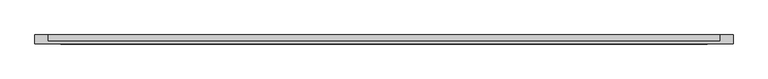
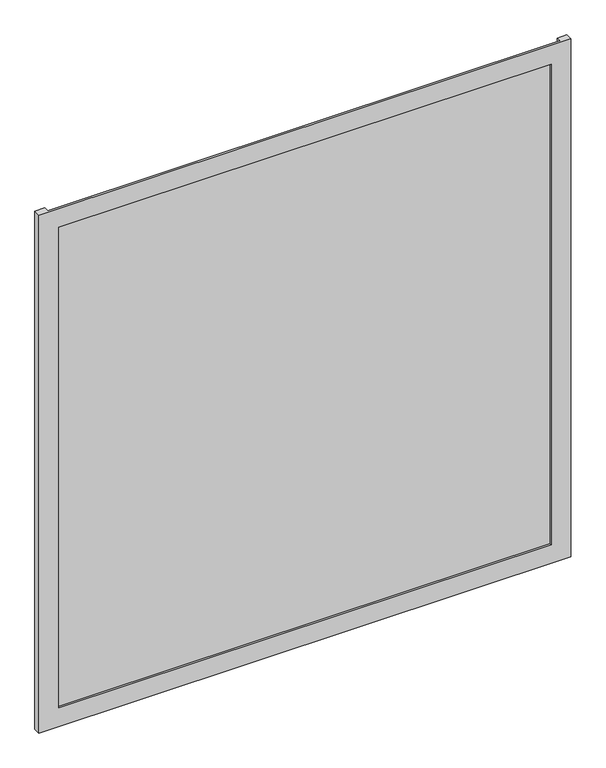
"""IFC4 building model written with IfcOpenShell, lengths in millimetres: plate geometry."""

from ifc_helpers import new_model, si_unit, origin, origin_with_axes, place, context, project, spatial, polyline, outline, extrude, faceted_brep, source, transform, mapped, element, save


def plate_7bfca507(model_context):
    return source(origin(), model_context, "Body", "SolidModel", [
        faceted_brep([(675.0, -50.8, -50.0), (675.0, -68.2, -50.0), (-675.0, -68.2, -50.0), (-675.0, -50.8, -50.0), (-650.0, -50.8, -50.0), (-650.0, -63.2, -50.0), (650.0, -63.2, -50.0), (650.0, -50.8, -50.0), (625.0, -68.2, 0.0), (625.0, -63.2, 0.0), (-625.0, -63.2, 0.0), (-625.0, -68.2, 0.0), (675.0, -68.2, 1340.0), (-675.0, -68.2, 1340.0), (-625.0, -68.2, 1290.0), (625.0, -68.2, 1290.0), (-650.0, -63.2, 1340.0), (650.0, -63.2, 1340.0), (625.0, -63.2, 1290.0), (-625.0, -63.2, 1290.0), (675.0, -50.8, 1340.0), (650.0, -50.8, 1340.0), (-650.0, -50.8, 1340.0), (-675.0, -50.8, 1340.0)], [[[0, 1, 2, 3, 4, 5, 6, 7]], [[8, 9, 10, 11]], [[12, 13, 2, 1], [11, 14, 15, 8]], [[16, 17, 6, 5], [9, 18, 19, 10]], [[20, 21, 17, 16, 22, 23, 13, 12]], [[20, 0, 7, 21]], [[21, 7, 6, 17]], [[8, 15, 18, 9]], [[12, 1, 0, 20]], [[22, 4, 3, 23]], [[16, 5, 4, 22]], [[10, 19, 14, 11]], [[23, 3, 2, 13]], [[18, 15, 14, 19]]]),
        extrude(outline(polyline([(650.0, -50.8), (650.0, -63.2), (-650.0, -63.2), (-650.0, -50.8), (650.0, -50.8)])), origin_with_axes(), (0.0, 0.0, 1.0), 1290.0),
    ])


if __name__ == "__main__":
    model = new_model("IFC4")
    model_context = context("Model", 3, world=origin())
    ifc_project = project(units=[si_unit("LENGTHUNIT", "METRE", prefix="MILLI")], contexts=[model_context])
    site = spatial("IfcSite", under=ifc_project)
    building = spatial("IfcBuilding", under=site)
    placement = place(None, origin())
    plate_shape = plate_7bfca507(model_context)
    element("IfcPlate", 1, at=placement, inside=building, context=model_context, shape_type="MappedRepresentation", body=[
        mapped(plate_shape, transform((0.0, 0.0, 0.0), x_axis=(1.0, 0.0, 0.0), y_axis=(0.0, 1.0, 0.0), z_axis=(0.0, 0.0, 1.0))),
    ])
    save(model, "model.ifc")
